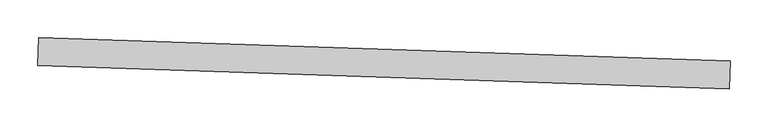
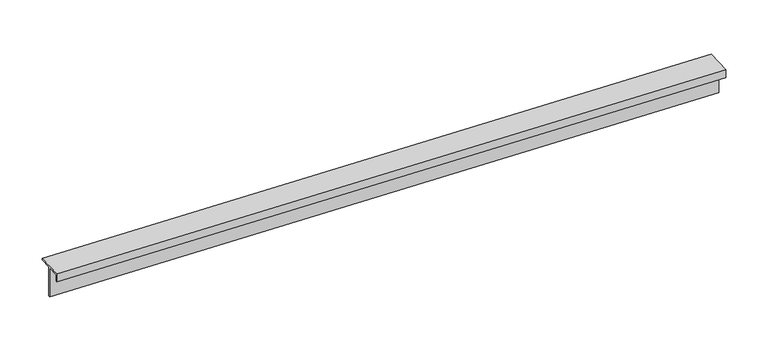
"""IFC4 building model written with IfcOpenShell, lengths in millimetres: proxy geometry."""

from ifc_helpers import new_model, si_unit, frame, origin, place, context, project, spatial, polyline, outline, extrude, source, transform, mapped, element, save


def generic_models_4a7750b5(model_context):
    return source(origin(), model_context, "Body", "SweptSolid", [
        extrude(outline(polyline([(-9.5300034, 0.0), (0.0, 0.0), (0.0, 16.3148449), (-42.6935091, 16.3148449), (-42.6935091, 18.6021317), (0.0013728, 18.6021317), (0.0013728, 35.2794394), (2.2871274, 35.2794394), (2.2871274, -1.60112), (-9.5300034, -1.60112), (-9.5300034, 0.0)])), frame((34366.1448036, -15132.4036853, 3081.5879081), z_axis=(-0.999414947893138, 0.03420178252308667, 0.0), x_axis=(0.0, 0.0, 1.0)), (0.0, 0.0, 1.0), 914.4),
    ])


if __name__ == "__main__":
    model = new_model("IFC4")
    model_context = context("Model", 3, world=origin())
    ifc_project = project(units=[si_unit("LENGTHUNIT", "METRE", prefix="MILLI")], contexts=[model_context])
    site = spatial("IfcSite", under=ifc_project)
    building = spatial("IfcBuilding", under=site)
    placement = place(None, origin())
    generic_models_shape = generic_models_4a7750b5(model_context)
    element("IfcBuildingElementProxy", 1, Name="Generic Models", at=placement, inside=building, context=model_context, shape_type="MappedRepresentation", body=[
        mapped(generic_models_shape, transform((0.0, 0.0, 0.0), x_axis=(1.0, 0.0, 0.0), y_axis=(0.0, 1.0, 0.0), z_axis=(0.0, 0.0, 1.0))),
    ])
    save(model, "model.ifc")
